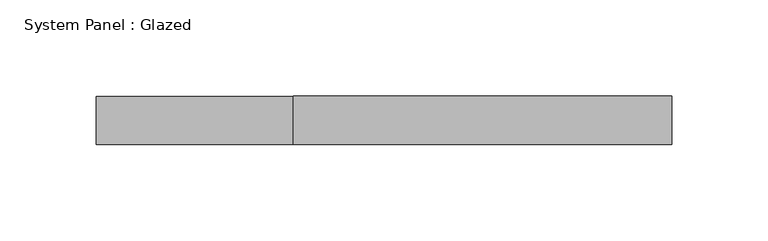
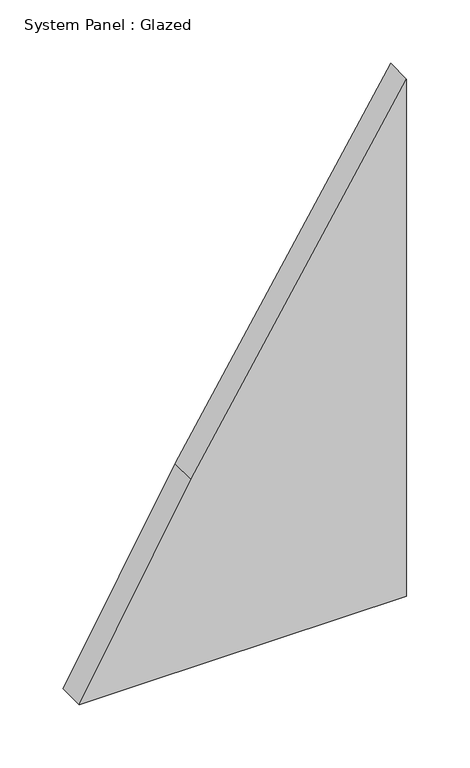
"""IFC4 building model written with IfcOpenShell, lengths in millimetres: plate geometry, System Panel : Glazed."""

from ifc_helpers import new_model, si_unit, point, frame, frame_2d, origin, place, context, project, spatial, polyline, circle_curve, trimmed, segment, composite_curve, outline, extrude, source, transform, mapped, element, save


def system_panel_glazed_aff1dcba(model_context):
    return source(origin(), model_context, "Body", "SweptSolid", [
        extrude(outline(composite_curve([segment(polyline([(0.0, -149.2706834), (0.0, -90.3738965), (0.0, 149.2706834), (498.0434751, 149.2706834)]), True, "CONTINUOUS"), segment(trimmed(circle_curve(frame_2d((-3276.8533559, 5882.0628556)), 6864.0186607), [point((498.0434751, 149.2706834))], [point((181.2956201, -47.1831196))], False, "CARTESIAN"), True, "CONTINUOUS"), segment(trimmed(circle_curve(frame_2d((-3276.8533559, 5882.0628556)), 6864.0186607), [point((181.2956201, -47.1831196))], [point((0.0, -149.2706834))], False, "CARTESIAN"), True, "CONTINUOUS")], self_intersect=False)), frame((0.0, 24.5, 0.0), z_axis=(0.0, 1.0, 0.0), x_axis=(0.0, 0.0, 1.0)), (0.0, 0.0, 1.0), 25.0),
    ])


if __name__ == "__main__":
    model = new_model("IFC4")
    model_context = context("Model", 3, world=origin())
    ifc_project = project(units=[si_unit("LENGTHUNIT", "METRE", prefix="MILLI")], contexts=[model_context])
    site = spatial("IfcSite", under=ifc_project)
    building = spatial("IfcBuilding", under=site)
    placement = place(None, origin())
    system_panel_glazed_shape = system_panel_glazed_aff1dcba(model_context)
    element("IfcPlate", 1, ObjectType="System Panel : Glazed", at=placement, inside=building, context=model_context, shape_type="MappedRepresentation", body=[
        mapped(system_panel_glazed_shape, transform((0.0, 0.0, 0.0), x_axis=(1.0, 0.0, 0.0), y_axis=(0.0, 1.0, 0.0), z_axis=(0.0, 0.0, 1.0))),
    ])
    save(model, "model.ifc")
